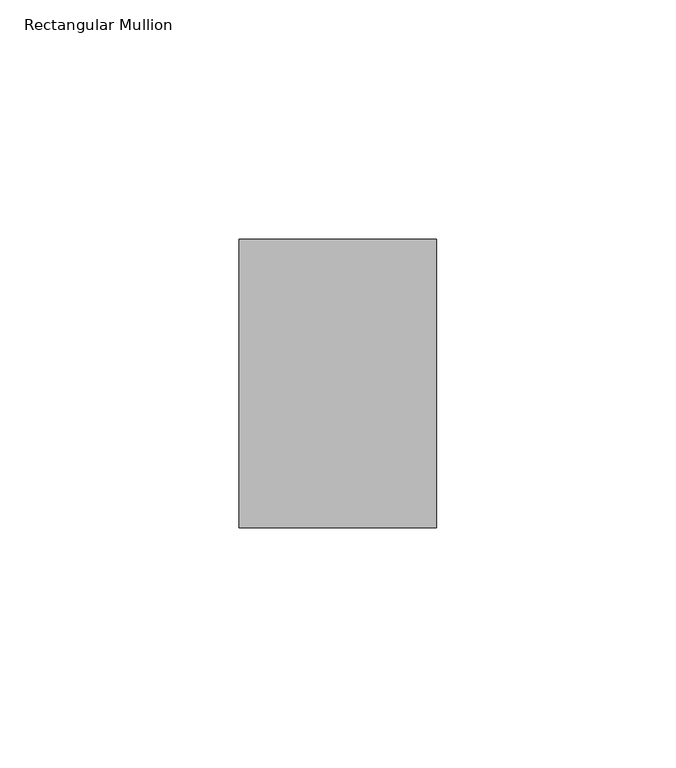
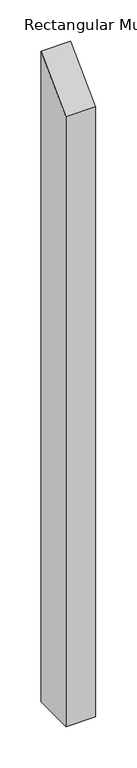
"""IFC4 building model written with IfcOpenShell, lengths in millimetres: member geometry, Rectangular Mullion."""

from ifc_helpers import new_model, si_unit, frame, origin, place, context, project, spatial, polyline, outline, extrude, source, transform, mapped, element, save


def rectangular_mullion_a2e06789(model_context):
    return source(origin(), model_context, "Body", "SweptSolid", [
        extrude(outline(polyline([(-50.8, -50.8), (9.525, 9.525), (9.525, -952.5), (-50.8, -952.5), (-50.8, -50.8)])), frame((-41.275, 0.0, 0.0), z_axis=(1.0, 0.0, 0.0), x_axis=(0.0, 1.0, 0.0)), (0.0, 0.0, 1.0), 41.275),
    ])


if __name__ == "__main__":
    model = new_model("IFC4")
    model_context = context("Model", 3, world=origin())
    ifc_project = project(units=[si_unit("LENGTHUNIT", "METRE", prefix="MILLI")], contexts=[model_context])
    site = spatial("IfcSite", under=ifc_project)
    building = spatial("IfcBuilding", under=site)
    placement = place(None, origin())
    rectangular_mullion_shape = rectangular_mullion_a2e06789(model_context)
    element("IfcMember", 1, ObjectType="Rectangular Mullion", at=placement, inside=building, context=model_context, shape_type="MappedRepresentation", body=[
        mapped(rectangular_mullion_shape, transform((0.0, 0.0, 0.0), x_axis=(1.0, 0.0, 0.0), y_axis=(0.0, 1.0, 0.0), z_axis=(0.0, 0.0, 1.0))),
    ])
    save(model, "model.ifc")
